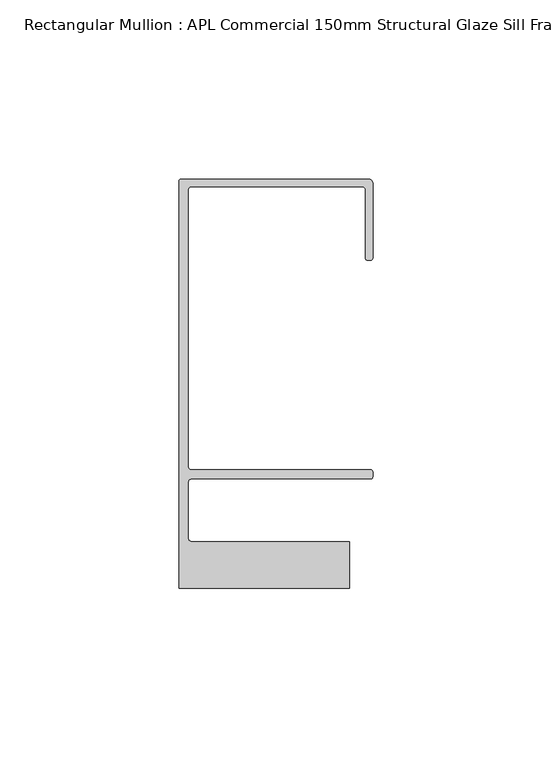
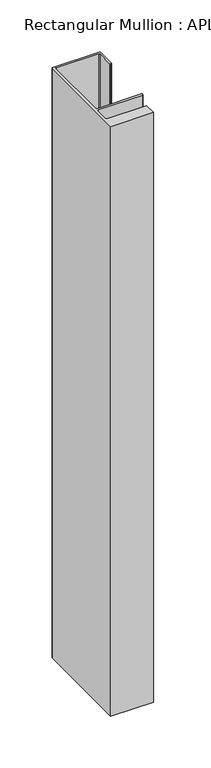
"""IFC4 building model written with IfcOpenShell, lengths in millimetres: member geometry, Rectangular Mullion : APL Commercial 150mm Structural Glaze Sill Frame (Back)."""

from ifc_helpers import new_model, si_unit, frame, origin, place, context, project, spatial, polyline, circle_curve, source, transform, mapped, element, save
from ifc_brep_helpers import plane_surface, cylinder_surface, revolved_surface, advanced_brep


def rectangular_mullion_apl_commercial_150mm_structural_glaze_7ff2cf65(model_context):
    return source(origin(), model_context, "Body", "AdvancedBrep", [
        advanced_brep(
        [(-53.5000083, 129.0001071, 0.0), (-54.0000083, 128.5001071, 0.0), (-54.0000083, 15.0004332, 0.0), (-6.5000083, 15.0004332, 0.0), (-6.5000083, 28.0004332, 0.0), (-50.500032, 28.0004332, 0.0), (-51.500032, 29.0004332, 0.0), (-51.500032, 44.4999541, 0.0), (-50.500032, 45.4999541, 0.0), (-0.521387, 45.4999541, 0.0), (-5.4e-06, 46.0213357, 0.0), (-5.4e-06, 47.5021598, 0.0), (-0.5000012, 48.000115, 0.0), (-50.482081, 48.000115, 0.0), (-51.5000225, 48.9999541, 0.0), (-51.5000225, 126.00011, 0.0), (-50.5000083, 127.00011, 0.0), (-2.9999982, 127.00011, 0.0), (-1.9999982, 126.0001071, 0.0), (-1.9999982, 107.0001071, 0.0), (-1.4999822, 106.5001071, 0.0), (-0.5, 106.5001071, 0.0), (0.0, 107.0001071, 0.0), (0.0, 128.0001071, 0.0), (-1.0000079, 129.0001071, 0.0), (-53.5000083, 129.0001071, -694.0467497), (-1.0000079, 129.0001071, -694.0467497), (-7.9e-06, 128.0001071, -694.0467497), (0.0, 107.0001071, -694.0467497), (-0.5, 106.5001071, -694.0467497), (-1.4999822, 106.5001071, -694.0467497), (-1.9999822, 107.0001071, -694.0467497), (-1.9999982, 126.0001071, -694.0467497), (-2.9999982, 127.0001071, -694.0467497), (-50.5000083, 127.00011, -694.0467497), (-51.5000083, 126.00011, -694.0467497), (-51.5000225, 48.9999541, -694.0467497), (-50.482081, 48.000115, -694.0467497), (-0.5000012, 48.000115, -694.0467497), (-5.4e-06, 47.5021598, -694.0467497), (-5.4e-06, 46.0213357, -694.0467497), (-0.521387, 45.4999541, -694.0467497), (-50.500032, 45.4999541, -694.0467497), (-51.500032, 44.4999541, -694.0467497), (-51.500032, 29.0004332, -694.0467497), (-50.500032, 28.0004332, -694.0467497), (-6.5000083, 28.0004332, -694.0467497), (-6.5000083, 15.0004332, -694.0467497), (-54.0000083, 15.0004332, -694.0467497), (-54.0000083, 128.5001071, -694.0467497)],
        [
            (0, 1, circle_curve(frame((-53.5000083, 128.5001071, 0.0), z_axis=(0.0, 0.0, 1.0), x_axis=(0.0, 1.0, 0.0)), 0.5)),
            (1, 2),
            (2, 3),
            (3, 4),
            (4, 5),
            (5, 6, circle_curve(frame((-50.500032, 29.0004332, 0.0), z_axis=(0.0, 0.0, -1.0), x_axis=(0.0, -1.0, 0.0)), 1.0)),
            (6, 7),
            (7, 8, circle_curve(frame((-50.500032, 44.4999541, 0.0), z_axis=(0.0, 0.0, -1.0), x_axis=(-0.9999999999998819, 4.863123717036027e-07, 0.0)), 1.0)),
            (8, 9),
            (9, 10, circle_curve(frame((-0.521387, 46.0213357, 0.0), z_axis=(0.0, 0.0, 1.0), x_axis=(-1.0, 0.0, 0.0)), 0.5213816)),
            (10, 11),
            (11, 12, circle_curve(frame((-0.5000012, 47.500115, 0.0), z_axis=(0.0, 0.0, 1.0), x_axis=(0.9999999999999991, -4.5120271963110614e-08, 0.0)), 0.5)),
            (12, 13),
            (13, 14, circle_curve(frame((-50.5000225, 48.9999541, 0.0), z_axis=(0.0, 0.0, -1.0), x_axis=(3.5344775231070867e-06, -0.9999999999937538, 0.0)), 1.0)),
            (14, 15),
            (15, 16, circle_curve(frame((-50.5000083, 126.00011, 0.0), z_axis=(0.0, 0.0, -1.0), x_axis=(-1.0, 3.636202450239078e-12, 0.0)), 1.0)),
            (16, 17),
            (17, 18, circle_curve(frame((-2.9999982, 126.0001071, 0.0), z_axis=(0.0, 0.0, -1.0), x_axis=(0.0, 1.0, 0.0)), 1.0)),
            (18, 19),
            (19, 20, circle_curve(frame((-1.4999822, 107.0001071, 0.0), z_axis=(0.0, 0.0, 1.0), x_axis=(-1.0, -1.039279773351609e-08, 0.0)), 0.5)),
            (20, 21),
            (21, 22, circle_curve(frame((-0.5, 107.0001071, 0.0), z_axis=(0.0, 0.0, 1.0), x_axis=(0.0, -1.0, 0.0)), 0.5)),
            (22, 23),
            (23, 24, circle_curve(frame((-1.0000079, 128.0001071, 0.0), z_axis=(0.0, 0.0, 1.0), x_axis=(0.9999999999996143, 8.78371761103865e-07, 0.0)), 1.0)),
            (24, 0),
            (25, 26),
            (26, 27, circle_curve(frame((-1.0000079, 128.0001071, -694.0467497), z_axis=(0.0, 0.0, -1.0), x_axis=(0.9999999999996143, 8.78371761103865e-07, 0.0)), 1.0)),
            (27, 28),
            (28, 29, circle_curve(frame((-0.5, 107.0001071, -694.0467497), z_axis=(0.0, 0.0, -1.0), x_axis=(0.0, -1.0, 0.0)), 0.5)),
            (29, 30),
            (30, 31, circle_curve(frame((-1.4999822, 107.0001071, -694.0467497), z_axis=(0.0, 0.0, -1.0), x_axis=(-1.0, -1.039279773351609e-08, 0.0)), 0.5)),
            (31, 32),
            (32, 33, circle_curve(frame((-2.9999982, 126.0001071, -694.0467497), z_axis=(0.0, 0.0, 1.0), x_axis=(0.0, 1.0, 0.0)), 1.0)),
            (33, 34),
            (34, 35, circle_curve(frame((-50.5000083, 126.00011, -694.0467497), z_axis=(0.0, 0.0, 1.0), x_axis=(-1.0, 3.636202450239078e-12, 0.0)), 1.0)),
            (35, 36),
            (36, 37, circle_curve(frame((-50.5000225, 48.9999541, -694.0467497), z_axis=(0.0, 0.0, 1.0), x_axis=(3.5344775231070867e-06, -0.9999999999937538, 0.0)), 1.0)),
            (37, 38),
            (38, 39, circle_curve(frame((-0.5000012, 47.500115, -694.0467497), z_axis=(0.0, 0.0, -1.0), x_axis=(0.9999999999999991, -4.5120271963110614e-08, 0.0)), 0.5)),
            (39, 40),
            (40, 41, circle_curve(frame((-0.521387, 46.0213357, -694.0467497), z_axis=(0.0, 0.0, -1.0), x_axis=(-1.0, 0.0, 0.0)), 0.5213816)),
            (41, 42),
            (42, 43, circle_curve(frame((-50.500032, 44.4999541, -694.0467497), z_axis=(0.0, 0.0, 1.0), x_axis=(-0.9999999999998819, 4.863123717036027e-07, 0.0)), 1.0)),
            (43, 44),
            (44, 45, circle_curve(frame((-50.500032, 29.0004332, -694.0467497), z_axis=(0.0, 0.0, 1.0), x_axis=(0.0, -1.0, 0.0)), 1.0)),
            (45, 46),
            (46, 47),
            (47, 48),
            (48, 49),
            (49, 25, circle_curve(frame((-53.5000083, 128.5001071, -694.0467497), z_axis=(0.0, 0.0, -1.0), x_axis=(0.0, 1.0, 0.0)), 0.5)),
            (0, 25),
            (49, 1),
            (48, 2),
            (47, 3),
            (46, 4),
            (45, 5),
            (44, 6),
            (43, 7),
            (42, 8),
            (41, 9),
            (40, 10),
            (39, 11),
            (38, 12),
            (37, 13),
            (36, 14),
            (35, 15),
            (34, 16),
            (33, 17),
            (32, 18),
            (31, 19),
            (30, 20),
            (29, 21),
            (28, 22),
            (27, 23),
            (26, 24),
        ],
        [
            plane_surface(frame((0.0, -139.6548314, 0.0), z_axis=(0.0, 0.0, 1.0), x_axis=(-1.0, 0.0, 0.0))),
            plane_surface(frame((0.0, -139.6548314, -694.0467497), z_axis=(0.0, 0.0, -1.0), x_axis=(-1.0, 0.0, 0.0))),
            cylinder_surface(frame((-53.5000083, 128.5001071, 0.0), z_axis=(0.0, 0.0, 1.0), x_axis=(0.0, 1.0, 0.0)), 0.5),
            plane_surface(frame((-54.0000083, 128.5001071, 0.0), z_axis=(-1.0, 0.0, 0.0), x_axis=(0.0, 0.0, -1.0))),
            plane_surface(frame((-54.0000083, 15.0004332, 0.0), z_axis=(0.0, -1.0, 0.0), x_axis=(0.0, 0.0, -1.0))),
            plane_surface(frame((-6.5000083, 15.0004332, 0.0), z_axis=(1.0, 0.0, 0.0), x_axis=(0.0, 0.0, -1.0))),
            plane_surface(frame((-6.5000083, 28.0004332, 0.0), z_axis=(0.0, 1.0, 0.0), x_axis=(0.0, 0.0, -1.0))),
            revolved_surface(polyline([(-50.500032, 28.0004332, -694.0467497), (-50.500032, 28.0004332, 0.0)]), (-50.500032, 29.0004332, 0.0), (0.0, 0.0, -1.0)),
            plane_surface(frame((-51.500032, 29.0004332, 0.0), z_axis=(1.0, 0.0, 0.0), x_axis=(0.0, 0.0, -1.0))),
            revolved_surface(polyline([(-51.50003199999988, 44.49995458631237, -694.0467497000002), (-51.50003199999988, 44.49995458631237, 0.0)]), (-50.500032, 44.4999541, 0.0), (0.0, 0.0, -1.0000000000000002)),
            plane_surface(frame((-50.500032, 45.4999541, 0.0), z_axis=(0.0, -1.0, 0.0), x_axis=(0.0, 0.0, -1.0))),
            cylinder_surface(frame((-0.521387, 46.0213357, 0.0), z_axis=(0.0, 0.0, 1.0), x_axis=(-1.0, 0.0, 0.0)), 0.5213816),
            plane_surface(frame((-5.4e-06, 46.0213357, 0.0), z_axis=(1.0, 0.0, 0.0), x_axis=(0.0, 0.0, -1.0))),
            cylinder_surface(frame((-0.5000012, 47.500115, 0.0), z_axis=(0.0, 0.0, 1.0000000000000002), x_axis=(0.9999999999999991, -4.5120271963110614e-08, 0.0)), 0.5),
            plane_surface(frame((-0.5000012, 48.000115, 0.0), z_axis=(0.0, 1.0, 0.0), x_axis=(0.0, 0.0, -1.0))),
            revolved_surface(polyline([(-50.50001896552248, 47.99995410000624, -694.0467497), (-50.50001896552248, 47.99995410000624, 0.0)]), (-50.5000225, 48.9999541, 0.0), (0.0, 0.0, -1.0)),
            plane_surface(frame((-51.5000225, 48.9999541, 0.0), z_axis=(1.0, 0.0, 0.0), x_axis=(0.0, 0.0, -1.0))),
            revolved_surface(polyline([(-51.5000083, 126.00011000000364, -694.0467497), (-51.5000083, 126.00011000000364, 0.0)]), (-50.5000083, 126.00011, 0.0), (0.0, 0.0, -1.0)),
            plane_surface(frame((-50.5000083, 127.00011, 0.0), z_axis=(0.0, -1.0, 0.0), x_axis=(0.0, 0.0, -1.0))),
            revolved_surface(polyline([(-2.9999982, 127.0001071, -694.0467497), (-2.9999982, 127.0001071, 0.0)]), (-2.9999982, 126.0001071, 0.0), (0.0, 0.0, -1.0)),
            plane_surface(frame((-1.9999982, 126.0001071, 0.0), z_axis=(-1.0, 0.0, 0.0), x_axis=(0.0, 0.0, -1.0))),
            cylinder_surface(frame((-1.4999822, 107.0001071, 0.0), z_axis=(0.0, 0.0, 1.0), x_axis=(-1.0, -1.039279773351609e-08, 0.0)), 0.5),
            plane_surface(frame((-1.4999822, 106.5001071, 0.0), z_axis=(0.0, -1.0, 0.0), x_axis=(0.0, 0.0, -1.0))),
            cylinder_surface(frame((-0.5, 107.0001071, 0.0), z_axis=(0.0, 0.0, 1.0), x_axis=(0.0, -1.0, 0.0)), 0.5),
            plane_surface(frame((0.0, 107.0001071, 0.0), z_axis=(1.0, 0.0, 0.0), x_axis=(0.0, 0.0, -1.0))),
            cylinder_surface(frame((-1.0000079, 128.0001071, 0.0), z_axis=(0.0, 0.0, 1.0000000000000002), x_axis=(0.9999999999996143, 8.78371761103865e-07, 0.0)), 1.0),
            plane_surface(frame((-1.0000079, 129.0001071, 0.0), z_axis=(0.0, 1.0, 0.0), x_axis=(0.0, 0.0, -1.0))),
        ],
        [
            (0, [[1, 2, 3, 4, 5, 6, 7, 8, 9, 10, 11, 12, 13, 14, 15, 16, 17, 18, 19, 20, 21, 22, 23, 24, 25]]),
            (1, [[26, 27, 28, 29, 30, 31, 32, 33, 34, 35, 36, 37, 38, 39, 40, 41, 42, 43, 44, 45, 46, 47, 48, 49, 50]]),
            (2, [[-1, 51, -50, 52]]),
            (3, [[-2, -52, -49, 53]]),
            (4, [[-3, -53, -48, 54]]),
            (5, [[-4, -54, -47, 55]]),
            (6, [[-5, -55, -46, 56]]),
            (7, [[-6, -56, -45, 57]]),
            (8, [[-7, -57, -44, 58]]),
            (9, [[-8, -58, -43, 59]]),
            (10, [[-9, -59, -42, 60]]),
            (11, [[-10, -60, -41, 61]]),
            (12, [[-11, -61, -40, 62]]),
            (13, [[-12, -62, -39, 63]]),
            (14, [[-13, -63, -38, 64]]),
            (15, [[-14, -64, -37, 65]]),
            (16, [[-15, -65, -36, 66]]),
            (17, [[-16, -66, -35, 67]]),
            (18, [[-17, -67, -34, 68]]),
            (19, [[-18, -68, -33, 69]]),
            (20, [[-19, -69, -32, 70]]),
            (21, [[-20, -70, -31, 71]]),
            (22, [[-21, -71, -30, 72]]),
            (23, [[-22, -72, -29, 73]]),
            (24, [[-23, -73, -28, 74]]),
            (25, [[-24, -74, -27, 75]]),
            (26, [[-25, -75, -26, -51]]),
        ],
    ),
    ])


if __name__ == "__main__":
    model = new_model("IFC4")
    model_context = context("Model", 3, world=origin())
    ifc_project = project(units=[si_unit("LENGTHUNIT", "METRE", prefix="MILLI")], contexts=[model_context])
    site = spatial("IfcSite", under=ifc_project)
    building = spatial("IfcBuilding", under=site)
    placement = place(None, origin())
    rectangular_mullion_apl_commercial_150mm_structural_glaze_shape = rectangular_mullion_apl_commercial_150mm_structural_glaze_7ff2cf65(model_context)
    element("IfcMember", 1, ObjectType="Rectangular Mullion : APL Commercial 150mm Structural Glaze Sill Frame (Back)", at=placement, inside=building, context=model_context, shape_type="MappedRepresentation", body=[
        mapped(rectangular_mullion_apl_commercial_150mm_structural_glaze_shape, transform((0.0, 0.0, 0.0), x_axis=(1.0, 0.0, 0.0), y_axis=(0.0, 1.0, 0.0), z_axis=(0.0, 0.0, 1.0))),
    ])
    save(model, "model.ifc")
